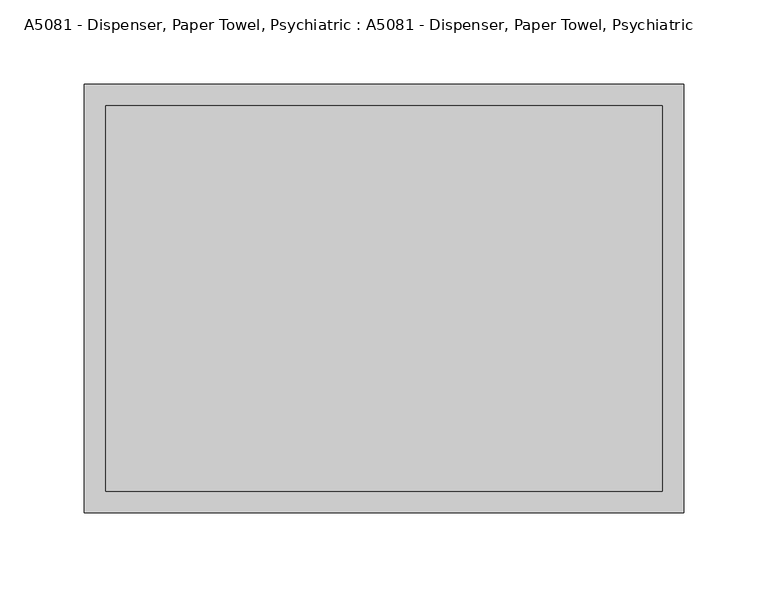
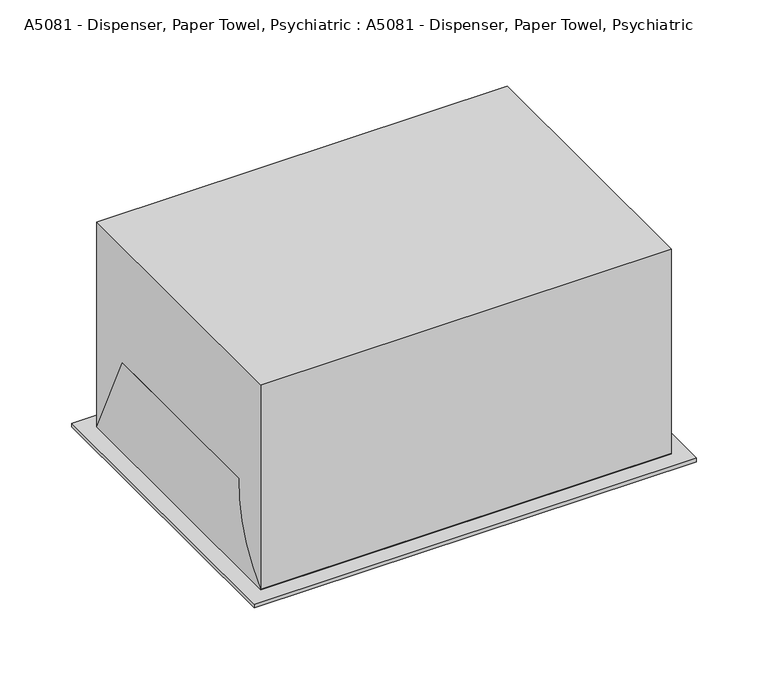
"""IFC4 building model written with IfcOpenShell, lengths in millimetres: proxy geometry, A5081 - Dispenser, Paper Towel, Psychiatric : A5081 - Dispenser, Paper Towel, Psychiatric."""

from ifc_helpers import new_model, si_unit, point, frame, frame_2d, origin, origin_with_axes, place, context, project, spatial, polyline, circle_curve, trimmed, segment, composite_curve, outline, extrude, source, transform, mapped, element, save


def a5081_dispenser_paper_towel_psychiatric_a5081_dispenser_dfb166f3(model_context):
    return source(origin(), model_context, "Body", "SweptSolid", [
        extrude(outline(composite_curve([segment(polyline([(30.7867984, 79.375), (193.0673564, 79.375), (228.6, 3.175), (0.0, 3.175)]), True, "CONTINUOUS"), segment(trimmed(circle_curve(frame_2d((-67.0217452, 74.5728797)), 97.9263578), [point((0.0, 3.175))], [point((30.7867984, 79.375))], True, "CARTESIAN"), True, "CONTINUOUS")], self_intersect=False)), frame((-165.1, 0.0, 0.0), z_axis=(1.0, 0.0, 0.0), x_axis=(0.0, 1.0, 0.0)), (0.0, 0.0, 1.0), 330.2),
        extrude(outline(polyline([(177.8, 241.3), (177.8, -12.7), (-177.8, -12.7), (-177.8, 241.3), (177.8, 241.3)]), holes=[polyline([(165.1, 228.6), (-165.1, 228.6), (-165.1, 0.0), (165.1, 0.0), (165.1, 228.6)])]), origin_with_axes(), (0.0, 0.0, 1.0), 3.175),
        extrude(outline(polyline([(165.1, 228.6), (165.1, 0.0), (-165.1, 0.0), (-165.1, 228.6), (165.1, 228.6)])), origin_with_axes(), (0.0, 0.0, 1.0), 177.8),
    ])


if __name__ == "__main__":
    model = new_model("IFC4")
    model_context = context("Model", 3, world=origin())
    ifc_project = project(units=[si_unit("LENGTHUNIT", "METRE", prefix="MILLI")], contexts=[model_context])
    site = spatial("IfcSite", under=ifc_project)
    building = spatial("IfcBuilding", under=site)
    placement = place(None, origin())
    a5081_dispenser_paper_towel_psychiatric_a5081_dispenser_shape = a5081_dispenser_paper_towel_psychiatric_a5081_dispenser_dfb166f3(model_context)
    element("IfcBuildingElementProxy", 1, Name="A5081 - Dispenser, Paper Towel, Psychiatric : A5081 - Dispenser, Paper Towel, Psychiatric", ObjectType="A5081 - Dispenser, Paper Towel, Psychiatric : A5081 - Dispenser, Paper Towel, Psychiatric", at=placement, inside=building, context=model_context, shape_type="MappedRepresentation", body=[
        mapped(a5081_dispenser_paper_towel_psychiatric_a5081_dispenser_shape, transform((0.0, 0.0, 0.0), x_axis=(1.0, 0.0, 0.0), y_axis=(0.0, 1.0, 0.0), z_axis=(0.0, 0.0, 1.0))),
    ])
    save(model, "model.ifc")
